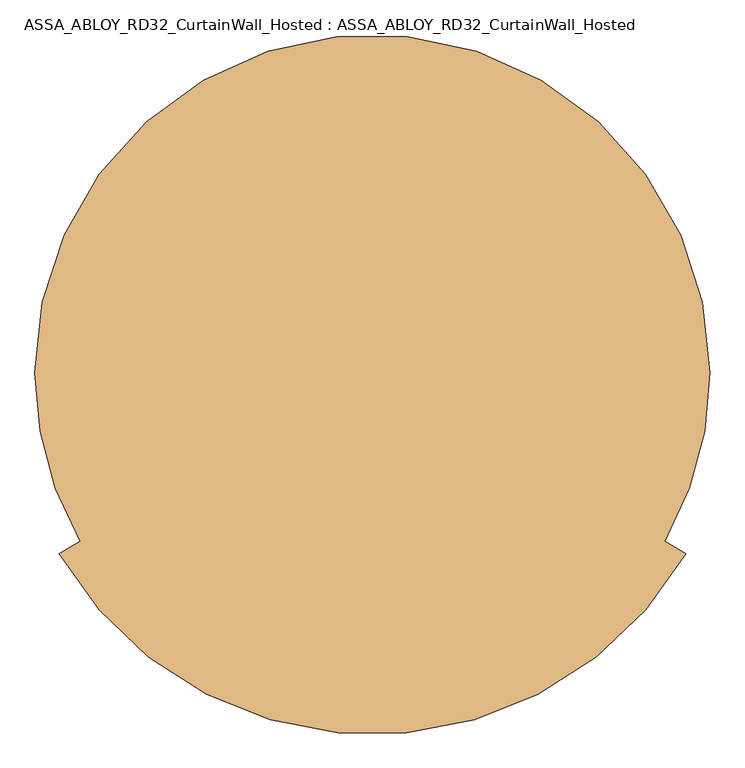
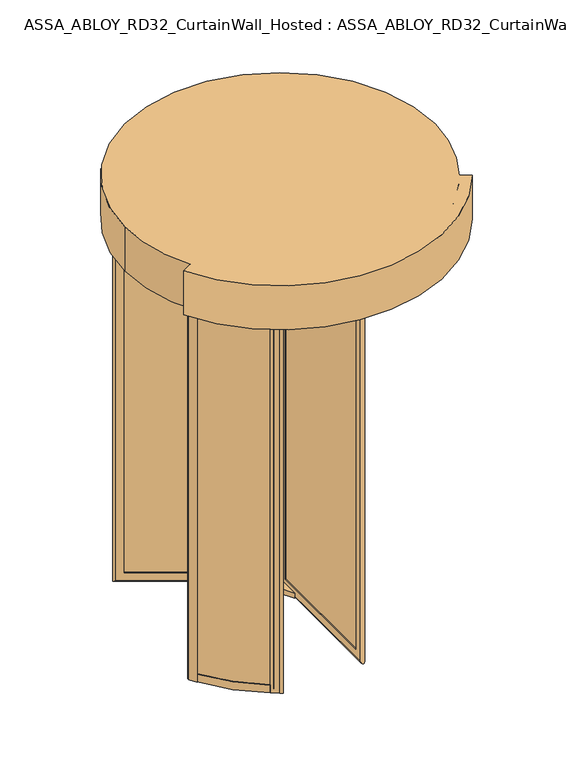
"""IFC4 building model written with IfcOpenShell, lengths in millimetres: door geometry, ASSA_ABLOY_RD32_CurtainWall_Hosted : ASSA_ABLOY_RD32_CurtainWall_Hosted."""

from ifc_helpers import new_model, si_unit, point, frame, frame_2d, origin, origin_with_axes, origin_2d, place, context, project, spatial, polyline, circle_curve, ellipse_curve, trimmed, segment, composite_curve, outline, extrude, source, transform, mapped, element, save
from ifc_brep_helpers import plane_surface, cylinder_surface, revolved_surface, advanced_brep


def assa_abloy_rd32_curtainwall_hosted_assa_abloy_rd32_cac44a7f(model_context):
    return source(origin(), model_context, "Body", "SolidModel", [
        advanced_brep(
        [(1000.0, 0.0, 2800.0), (-1000.0, 0.0, 2800.0), (-866.0254038, -500.0, 2800.0), (-928.3792329, -536.0, 2800.0), (928.3792329, -536.0, 2800.0), (866.0254038, -500.0, 2800.0), (-1000.0, 0.0, 2500.0), (1000.0, 0.0, 2500.0), (866.0254038, -500.0, 2785.0), (-866.0254038, -500.0, 2785.0), (928.3792329, -536.0, 2500.0), (917.986928, -530.0, 2500.0), (917.986928, -530.0, 2785.0), (-917.986928, -530.0, 2785.0), (-917.986928, -530.0, 2500.0), (-928.3792329, -536.0, 2500.0)],
        [
            (0, 1, circle_curve(frame((0.0, 0.0, 2800.0), z_axis=(0.0, 0.0, 1.0), x_axis=(1.0, 0.0, 0.0)), 1000.0)),
            (1, 2, circle_curve(frame((0.0, 0.0, 2800.0), z_axis=(0.0, 0.0, 1.0), x_axis=(1.0, 0.0, 0.0)), 1000.0)),
            (2, 3),
            (3, 4, circle_curve(frame((0.0, 0.0, 2800.0), z_axis=(0.0, 0.0, 1.0), x_axis=(0.8660254037844377, -0.5000000000000016, 0.0)), 1072.0)),
            (4, 5),
            (5, 0, circle_curve(frame((0.0, 0.0, 2800.0), z_axis=(0.0, 0.0, 1.0), x_axis=(1.0, 0.0, 0.0)), 1000.0)),
            (6, 7, circle_curve(frame((0.0, 0.0, 2500.0), z_axis=(0.0, 0.0, -1.0), x_axis=(1.0, 0.0, 0.0)), 1000.0)),
            (7, 6, circle_curve(frame((0.0, 0.0, 2500.0), z_axis=(0.0, 0.0, -1.0), x_axis=(1.0, 0.0, 0.0)), 1000.0)),
            (0, 7),
            (6, 1),
            (5, 8),
            (8, 9, circle_curve(frame((0.0, 0.0, 2785.0), z_axis=(0.0, 0.0, -1.0), x_axis=(1.0, 0.0, 0.0)), 1000.0)),
            (9, 2),
            (4, 10),
            (10, 11),
            (11, 12),
            (12, 8),
            (13, 14),
            (14, 15),
            (15, 3),
            (9, 13),
            (15, 10, circle_curve(frame((0.0, 0.0, 2500.0), z_axis=(0.0, 0.0, 1.0), x_axis=(0.8660254037844377, -0.5000000000000016, 0.0)), 1072.0)),
            (14, 11, circle_curve(frame((0.0, 0.0, 2500.0), z_axis=(0.0, 0.0, 1.0), x_axis=(0.8660254037844377, -0.5000000000000016, 0.0)), 1060.0)),
            (13, 12, circle_curve(frame((0.0, 0.0, 2785.0), z_axis=(0.0, 0.0, 1.0), x_axis=(0.8660254037844377, -0.5000000000000016, 0.0)), 1060.0)),
        ],
        [
            plane_surface(frame((1000.0, 0.0, 2800.0), z_axis=(0.0, 0.0, 1.0), x_axis=(0.0, 1.0, 0.0))),
            plane_surface(frame((1000.0, 0.0, 2500.0), z_axis=(0.0, 0.0, -1.0), x_axis=(0.0, -1.0, 0.0))),
            cylinder_surface(frame((0.0, 0.0, 2500.0), z_axis=(0.0, 0.0, 1.0), x_axis=(1.0, 0.0, 0.0)), 1000.0),
            plane_surface(frame((863.4273276, -498.5, 2800.0), z_axis=(0.5000000000000017, 0.8660254037844378, 0.0), x_axis=(0.0, 0.0, 1.0))),
            plane_surface(frame((-863.4273276, -498.5, 2800.0), z_axis=(-0.5000000000000142, 0.8660254037844305, 0.0), x_axis=(0.0, 0.0, 1.0))),
            cylinder_surface(frame((0.0, 0.0, 2800.0), z_axis=(0.0, 0.0, -1.0), x_axis=(0.8660254037844377, -0.5000000000000016, 0.0)), 1072.0),
            plane_surface(frame((0.0, 0.0, 2500.0), z_axis=(0.0, 0.0, -1.0000000000000002), x_axis=(0.8660254037844378, -0.5000000000000017, 0.0))),
            revolved_surface(polyline([(917.986928011504, -530.0000000000016, 2500.0), (917.986928011504, -530.0000000000016, 2785.0)]), (0.0, 0.0, 2800.0), (0.0, 0.0, -1.0)),
            plane_surface(frame((0.0, 0.0, 2785.0), z_axis=(0.0, 0.0, -1.0000000000000002), x_axis=(0.8660254037844378, -0.5000000000000017, 0.0))),
        ],
        [
            (0, [[1, 2, 3, 4, 5, 6]]),
            (1, [[7, 8]]),
            (2, [[-1, 9, -7, 10]]),
            (2, [[-8, -9, -6, 11, 12, 13, -2, -10]]),
            (3, [[14, 15, 16, 17, -11, -5]]),
            (4, [[18, 19, 20, -3, -13, 21]]),
            (5, [[-14, -4, -20, 22]]),
            (6, [[-15, -22, -19, 23]]),
            (7, [[-16, -23, -18, 24]]),
            (8, [[-24, -21, -12, -17]]),
        ],
    ),
        advanced_brep(
        [(756.0172302, 424.939746, 105.0), (757.5172302, 422.3416698, 105.0), (757.5172302, 422.3416698, 2395.0), (756.0172302, 424.939746, 2395.0), (763.3377382, 452.260254, 85.0), (773.3377382, 434.939746, 85.0), (773.3377382, 434.939746, 2415.0), (763.3377382, 452.260254, 2415.0), (744.5172302, 444.8583302, 105.0), (746.0172302, 442.260254, 105.0), (746.0172302, 442.260254, 2395.0), (744.5172302, 444.8583302, 2395.0), (802.5505512, 448.3416698, 53.0), (789.5505512, 470.8583302, 53.0), (789.5505512, 470.8583302, 2447.0), (802.5505512, 448.3416698, 2447.0), (76.6480577, 29.2416698, 2395.0), (75.1480577, 31.839746, 2395.0), (57.8275496, 21.839746, 2415.0), (47.8275496, 39.160254, 2415.0), (65.1480577, 49.160254, 2395.0), (63.6480577, 51.7583302, 2395.0), (18.6147367, 25.7583302, 2447.0), (31.6147367, 3.2416698, 2447.0), (76.6480577, 29.2416698, 105.0), (75.1480577, 31.839746, 105.0), (57.8275496, 21.839746, 85.0), (47.8275496, 39.160254, 85.0), (65.1480577, 49.160254, 105.0), (63.6480577, 51.7583302, 105.0), (18.6147367, 25.7583302, 53.0), (31.6147367, 3.2416698, 53.0)],
        [
            (0, 1),
            (1, 2),
            (2, 3),
            (3, 0),
            (4, 5),
            (5, 6),
            (6, 7),
            (7, 4),
            (8, 9),
            (9, 10),
            (10, 11),
            (11, 8),
            (12, 13, ellipse_curve(frame((796.0505512, 459.6, 53.0), z_axis=(0.6123724356958007, 0.35355339059326285, 0.7071067811865475), x_axis=(0.6123724356957908, 0.3535533905932797, -0.7071067811865477)), 18.3847763, 13.0)),
            (13, 14),
            (14, 15, ellipse_curve(frame((796.0505512, 459.6, 2447.0), z_axis=(0.612372435695791, 0.3535533905932798, -0.7071067811865475), x_axis=(-0.6123724356958007, -0.3535533905932628, -0.7071067811865476)), 18.3847763, 13.0)),
            (15, 12),
            (2, 16),
            (16, 17),
            (17, 3),
            (6, 18),
            (18, 19),
            (19, 7),
            (10, 20),
            (20, 21),
            (21, 11),
            (14, 22),
            (22, 23, ellipse_curve(frame((25.1147367, 14.5, 2447.0), z_axis=(0.6123724356958007, 0.35355339059326285, 0.7071067811865475), x_axis=(0.6123724356957913, 0.35355339059327995, -0.7071067811865472)), 18.3847763, 13.0)),
            (23, 15),
            (16, 24),
            (24, 25),
            (25, 17),
            (18, 26),
            (26, 27),
            (27, 19),
            (20, 28),
            (28, 29),
            (29, 21),
            (22, 30),
            (30, 31, ellipse_curve(frame((25.1147367, 14.5, 53.0), z_axis=(-0.612372435695791, -0.3535533905932798, 0.7071067811865475), x_axis=(0.6123724356958007, 0.3535533905932628, 0.7071067811865476)), 18.3847763, 13.0)),
            (31, 23),
            (24, 1),
            (0, 25),
            (5, 26),
            (4, 27),
            (9, 28),
            (8, 29),
            (13, 30),
            (12, 31),
        ],
        [
            plane_surface(frame((757.5172302, 422.3416698, 105.0), z_axis=(-0.8660254037844419, -0.49999999999999445, 0.0), x_axis=(0.0, 0.0, 1.0))),
            plane_surface(frame((773.3377382, 434.939746, 85.0), z_axis=(-0.8660254037844408, -0.4999999999999964, 0.0), x_axis=(0.0, 0.0, 1.0))),
            plane_surface(frame((746.0172302, 442.260254, 105.0), z_axis=(-0.8660254037844419, -0.49999999999999445, 0.0), x_axis=(0.0, 0.0, 1.0))),
            cylinder_surface(frame((796.0505512, 459.6, 40.0), z_axis=(0.0, 0.0, -1.0), x_axis=(-0.8660254037844406, -0.4999999999999966, 0.0)), 13.0),
            plane_surface(frame((757.5172302, 422.3416698, 2395.0), z_axis=(0.0, 0.0, -1.0), x_axis=(-0.8660254037844406, -0.4999999999999966, 0.0))),
            plane_surface(frame((773.3377382, 434.939746, 2415.0), z_axis=(0.0, 0.0, -1.0), x_axis=(-0.8660254037844406, -0.4999999999999966, 0.0))),
            plane_surface(frame((746.0172302, 442.260254, 2395.0), z_axis=(0.0, 0.0, -1.0), x_axis=(-0.8660254037844406, -0.4999999999999966, 0.0))),
            cylinder_surface(frame((807.3088814, 466.1, 2447.0), z_axis=(0.8660254037844406, 0.4999999999999966, 0.0), x_axis=(0.0, 0.0, -1.0)), 13.0),
            plane_surface(frame((76.6480577, 29.2416698, 2395.0), z_axis=(0.8660254037844394, 0.49999999999999883, 0.0), x_axis=(0.0, 0.0, -1.0))),
            plane_surface(frame((57.8275496, 21.839746, 2415.0), z_axis=(0.8660254037844405, 0.4999999999999969, 0.0), x_axis=(0.0, 0.0, -1.0))),
            plane_surface(frame((65.1480577, 49.160254, 2395.0), z_axis=(0.8660254037844394, 0.49999999999999883, 0.0), x_axis=(0.0, 0.0, -1.0))),
            cylinder_surface(frame((25.1147367, 14.5, 2460.0), z_axis=(0.0, 0.0, 1.0), x_axis=(0.8660254037844406, 0.4999999999999966, 0.0)), 13.0),
            plane_surface(frame((76.6480577, 29.2416698, 105.0), z_axis=(0.0, 0.0, 1.0), x_axis=(0.8660254037844406, 0.4999999999999966, 0.0))),
            plane_surface(frame((75.1480577, 31.839746, 105.0), z_axis=(-0.4999999999999966, 0.8660254037844406, 0.0), x_axis=(0.8660254037844406, 0.4999999999999966, 0.0))),
            plane_surface(frame((57.8275496, 21.839746, 85.0), z_axis=(0.0, 0.0, 1.0), x_axis=(0.8660254037844406, 0.4999999999999966, 0.0))),
            plane_surface(frame((47.8275496, 39.160254, 85.0), z_axis=(0.4999999999999966, -0.8660254037844406, 0.0), x_axis=(0.8660254037844406, 0.4999999999999966, 0.0))),
            plane_surface(frame((65.1480577, 49.160254, 105.0), z_axis=(0.0, 0.0, 1.0), x_axis=(0.8660254037844406, 0.4999999999999966, 0.0))),
            plane_surface(frame((63.6480577, 51.7583302, 105.0), z_axis=(-0.4999999999999966, 0.8660254037844406, 0.0), x_axis=(0.8660254037844406, 0.4999999999999966, 0.0))),
            cylinder_surface(frame((13.8564065, 8.0, 53.0), z_axis=(-0.8660254037844406, -0.4999999999999966, 0.0), x_axis=(0.0, 0.0, 1.0)), 13.0),
            plane_surface(frame((31.6147367, 3.2416698, 53.0), z_axis=(0.4999999999999966, -0.8660254037844406, 0.0), x_axis=(0.8660254037844406, 0.4999999999999966, 0.0))),
        ],
        [
            (0, [[1, 2, 3, 4]]),
            (1, [[5, 6, 7, 8]]),
            (2, [[9, 10, 11, 12]]),
            (3, [[13, 14, 15, 16]]),
            (4, [[-3, 17, 18, 19]]),
            (5, [[-7, 20, 21, 22]]),
            (6, [[-11, 23, 24, 25]]),
            (7, [[-15, 26, 27, 28]]),
            (8, [[-18, 29, 30, 31]]),
            (9, [[-21, 32, 33, 34]]),
            (10, [[-24, 35, 36, 37]]),
            (11, [[-27, 38, 39, 40]]),
            (12, [[-30, 41, -1, 42]]),
            (13, [[43, -32, -20, -6], [-19, -31, -42, -4]]),
            (14, [[-33, -43, -5, 44]]),
            (15, [[-22, -34, -44, -8], [45, -35, -23, -10]]),
            (16, [[-36, -45, -9, 46]]),
            (17, [[47, -38, -26, -14], [-25, -37, -46, -12]]),
            (18, [[-39, -47, -13, 48]]),
            (19, [[-28, -40, -48, -16], [-41, -29, -17, -2]]),
        ],
    ),
        extrude(outline(polyline([(765.8377382, 447.930127), (770.8377382, 439.269873), (55.3275496, 26.169873), (50.3275496, 34.830127), (765.8377382, 447.930127)])), frame((0.0, 0.0, 85.0), z_axis=(0.0, 0.0, 1.0), x_axis=(1.0, 0.0, 0.0)), (0.0, 0.0, 1.0), 2330.0),
        advanced_brep(
        [(-746.0172302, 442.260254, 105.0), (-744.5172302, 444.8583302, 105.0), (-744.5172302, 444.8583302, 2395.0), (-746.0172302, 442.260254, 2395.0), (-773.3377382, 434.939746, 85.0), (-763.3377382, 452.260254, 85.0), (-763.3377382, 452.260254, 2415.0), (-773.3377382, 434.939746, 2415.0), (-757.5172302, 422.3416698, 105.0), (-756.0172302, 424.939746, 105.0), (-756.0172302, 424.939746, 2395.0), (-757.5172302, 422.3416698, 2395.0), (-789.5505512, 470.8583302, 53.0), (-802.5505512, 448.3416698, 53.0), (-802.5505512, 448.3416698, 2447.0), (-789.5505512, 470.8583302, 2447.0), (-63.6480577, 51.7583302, 2395.0), (-65.1480577, 49.160254, 2395.0), (-47.8275496, 39.160254, 2415.0), (-57.8275496, 21.839746, 2415.0), (-75.1480577, 31.839746, 2395.0), (-76.6480577, 29.2416698, 2395.0), (-31.6147367, 3.2416698, 2447.0), (-18.6147367, 25.7583302, 2447.0), (-63.6480577, 51.7583302, 105.0), (-65.1480577, 49.160254, 105.0), (-47.8275496, 39.160254, 85.0), (-57.8275496, 21.839746, 85.0), (-75.1480577, 31.839746, 105.0), (-76.6480577, 29.2416698, 105.0), (-31.6147367, 3.2416698, 53.0), (-18.6147367, 25.7583302, 53.0)],
        [
            (0, 1),
            (1, 2),
            (2, 3),
            (3, 0),
            (4, 5),
            (5, 6),
            (6, 7),
            (7, 4),
            (8, 9),
            (9, 10),
            (10, 11),
            (11, 8),
            (12, 13, ellipse_curve(frame((-796.0505512, 459.6, 53.0), z_axis=(-0.612372435695792, 0.35355339059327806, 0.7071067811865475), x_axis=(-0.6123724356958017, 0.3535533905932611, -0.7071067811865476)), 18.3847763, 13.0)),
            (13, 14),
            (14, 15, ellipse_curve(frame((-796.0505512, 459.6, 2447.0), z_axis=(-0.6123724356958017, 0.35355339059326113, -0.7071067811865475), x_axis=(0.6123724356957919, -0.353553390593278, -0.7071067811865477)), 18.3847763, 13.0)),
            (15, 12),
            (2, 16),
            (16, 17),
            (17, 3),
            (6, 18),
            (18, 19),
            (19, 7),
            (10, 20),
            (20, 21),
            (21, 11),
            (14, 22),
            (22, 23, ellipse_curve(frame((-25.1147367, 14.5, 2447.0), z_axis=(-0.612372435695792, 0.35355339059327806, 0.7071067811865475), x_axis=(-0.6123724356958017, 0.3535533905932612, -0.7071067811865475)), 18.3847763, 13.0)),
            (23, 15),
            (16, 24),
            (24, 25),
            (25, 17),
            (18, 26),
            (26, 27),
            (27, 19),
            (20, 28),
            (28, 29),
            (29, 21),
            (22, 30),
            (30, 31, ellipse_curve(frame((-25.1147367, 14.5, 53.0), z_axis=(0.6123724356958017, -0.35355339059326113, 0.7071067811865475), x_axis=(-0.6123724356957919, 0.353553390593278, 0.7071067811865477)), 18.3847763, 13.0)),
            (31, 23),
            (24, 1),
            (0, 25),
            (5, 26),
            (4, 27),
            (9, 28),
            (8, 29),
            (13, 30),
            (12, 31),
        ],
        [
            plane_surface(frame((-744.5172302, 444.8583302, 105.0), z_axis=(0.8660254037844408, -0.4999999999999964, 0.0), x_axis=(0.0, 0.0, 1.0))),
            plane_surface(frame((-763.3377382, 452.260254, 85.0), z_axis=(0.8660254037844419, -0.49999999999999445, 0.0), x_axis=(0.0, 0.0, 1.0))),
            plane_surface(frame((-756.0172302, 424.939746, 105.0), z_axis=(0.8660254037844408, -0.4999999999999964, 0.0), x_axis=(0.0, 0.0, 1.0))),
            cylinder_surface(frame((-796.0505512, 459.6, 40.0), z_axis=(0.0, 0.0, -1.0), x_axis=(0.8660254037844415, -0.49999999999999384, 0.0)), 13.0),
            plane_surface(frame((-744.5172302, 444.8583302, 2395.0), z_axis=(0.0, 0.0, -1.0), x_axis=(0.866025403784442, -0.49999999999999417, 0.0))),
            plane_surface(frame((-763.3377382, 452.260254, 2415.0), z_axis=(0.0, 0.0, -1.0), x_axis=(0.866025403784442, -0.49999999999999417, 0.0))),
            plane_surface(frame((-756.0172302, 424.939746, 2395.0), z_axis=(0.0, 0.0, -1.0), x_axis=(0.866025403784442, -0.49999999999999417, 0.0))),
            cylinder_surface(frame((-807.3088814, 466.1, 2447.0), z_axis=(-0.8660254037844415, 0.49999999999999384, 0.0), x_axis=(0.0, 0.0, -1.0)), 13.0),
            plane_surface(frame((-63.6480577, 51.7583302, 2395.0), z_axis=(-0.8660254037844433, 0.49999999999999195, 0.0), x_axis=(0.0, 0.0, -1.0))),
            plane_surface(frame((-47.8275496, 39.160254, 2415.0), z_axis=(-0.8660254037844421, 0.4999999999999939, 0.0), x_axis=(0.0, 0.0, -1.0))),
            plane_surface(frame((-75.1480577, 31.839746, 2395.0), z_axis=(-0.8660254037844433, 0.49999999999999195, 0.0), x_axis=(0.0, 0.0, -1.0))),
            cylinder_surface(frame((-25.1147367, 14.5, 2460.0), z_axis=(0.0, 0.0, 1.0), x_axis=(-0.8660254037844415, 0.49999999999999384, 0.0)), 13.0),
            plane_surface(frame((-63.6480577, 51.7583302, 105.0), z_axis=(0.0, 0.0, 1.0), x_axis=(-0.866025403784442, 0.49999999999999417, 0.0))),
            plane_surface(frame((-65.1480577, 49.160254, 105.0), z_axis=(-0.49999999999999417, -0.866025403784442, 0.0), x_axis=(-0.866025403784442, 0.49999999999999417, 0.0))),
            plane_surface(frame((-47.8275496, 39.160254, 85.0), z_axis=(0.0, 0.0, 1.0), x_axis=(-0.866025403784442, 0.49999999999999417, 0.0))),
            plane_surface(frame((-57.8275496, 21.839746, 85.0), z_axis=(0.49999999999999417, 0.866025403784442, 0.0), x_axis=(-0.866025403784442, 0.49999999999999417, 0.0))),
            plane_surface(frame((-75.1480577, 31.839746, 105.0), z_axis=(0.0, 0.0, 1.0), x_axis=(-0.866025403784442, 0.49999999999999417, 0.0))),
            plane_surface(frame((-76.6480577, 29.2416698, 105.0), z_axis=(-0.49999999999999417, -0.866025403784442, 0.0), x_axis=(-0.866025403784442, 0.49999999999999417, 0.0))),
            cylinder_surface(frame((-13.8564065, 8.0, 53.0), z_axis=(0.8660254037844415, -0.49999999999999384, 0.0), x_axis=(0.0, 0.0, 1.0)), 13.0),
            plane_surface(frame((-18.6147367, 25.7583302, 53.0), z_axis=(0.49999999999999417, 0.866025403784442, 0.0), x_axis=(-0.866025403784442, 0.49999999999999417, 0.0))),
        ],
        [
            (0, [[1, 2, 3, 4]]),
            (1, [[5, 6, 7, 8]]),
            (2, [[9, 10, 11, 12]]),
            (3, [[13, 14, 15, 16]]),
            (4, [[-3, 17, 18, 19]]),
            (5, [[-7, 20, 21, 22]]),
            (6, [[-11, 23, 24, 25]]),
            (7, [[-15, 26, 27, 28]]),
            (8, [[-18, 29, 30, 31]]),
            (9, [[-21, 32, 33, 34]]),
            (10, [[-24, 35, 36, 37]]),
            (11, [[-27, 38, 39, 40]]),
            (12, [[-30, 41, -1, 42]]),
            (13, [[43, -32, -20, -6], [-19, -31, -42, -4]]),
            (14, [[-33, -43, -5, 44]]),
            (15, [[-22, -34, -44, -8], [45, -35, -23, -10]]),
            (16, [[-36, -45, -9, 46]]),
            (17, [[47, -38, -26, -14], [-25, -37, -46, -12]]),
            (18, [[-39, -47, -13, 48]]),
            (19, [[-28, -40, -48, -16], [-41, -29, -17, -2]]),
        ],
    ),
        extrude(outline(polyline([(-770.8377382, 439.269873), (-765.8377382, 447.930127), (-50.3275496, 34.830127), (-55.3275496, 26.169873), (-770.8377382, 439.269873)])), frame((0.0, 0.0, 85.0), z_axis=(0.0, 0.0, 1.0), x_axis=(1.0, 0.0, 0.0)), (0.0, 0.0, 1.0), 2330.0),
        advanced_brep(
        [(-10.0, -867.2, 105.0), (-13.0, -867.2, 105.0), (-13.0, -867.2, 2395.0), (-10.0, -867.2, 2395.0), (10.0, -887.2, 85.0), (-10.0, -887.2, 85.0), (-10.0, -887.2, 2415.0), (10.0, -887.2, 2415.0), (13.0, -867.2, 105.0), (10.0, -867.2, 105.0), (10.0, -867.2, 2395.0), (13.0, -867.2, 2395.0), (-13.0, -919.2, 53.0), (13.0, -919.2, 53.0), (13.0, -919.2, 2447.0), (-13.0, -919.2, 2447.0), (-13.0, -81.0, 2395.0), (-10.0, -81.0, 2395.0), (-10.0, -61.0, 2415.0), (10.0, -61.0, 2415.0), (10.0, -81.0, 2395.0), (13.0, -81.0, 2395.0), (13.0, -29.0, 2447.0), (-13.0, -29.0, 2447.0), (-13.0, -81.0, 105.0), (-10.0, -81.0, 105.0), (-10.0, -61.0, 85.0), (10.0, -61.0, 85.0), (10.0, -81.0, 105.0), (13.0, -81.0, 105.0), (13.0, -29.0, 53.0), (-13.0, -29.0, 53.0)],
        [
            (0, 1),
            (1, 2),
            (2, 3),
            (3, 0),
            (4, 5),
            (5, 6),
            (6, 7),
            (7, 4),
            (8, 9),
            (9, 10),
            (10, 11),
            (11, 8),
            (12, 13, ellipse_curve(frame((0.0, -919.2, 53.0), z_axis=(0.0, -0.7071067811865475, 0.7071067811865475), x_axis=(0.0, -0.7071067811865474, -0.7071067811865476)), 18.3847763, 13.0)),
            (13, 14),
            (14, 15, ellipse_curve(frame((0.0, -919.2, 2447.0), z_axis=(0.0, -0.7071067811865475, -0.7071067811865475), x_axis=(0.0, 0.7071067811865474, -0.7071067811865476)), 18.3847763, 13.0)),
            (15, 12),
            (2, 16),
            (16, 17),
            (17, 3),
            (6, 18),
            (18, 19),
            (19, 7),
            (10, 20),
            (20, 21),
            (21, 11),
            (14, 22),
            (22, 23, ellipse_curve(frame((0.0, -29.0, 2447.0), z_axis=(0.0, -0.7071067811865475, 0.7071067811865475), x_axis=(0.0, -0.7071067811865476, -0.7071067811865474)), 18.3847763, 13.0)),
            (23, 15),
            (16, 24),
            (24, 25),
            (25, 17),
            (18, 26),
            (26, 27),
            (27, 19),
            (20, 28),
            (28, 29),
            (29, 21),
            (22, 30),
            (30, 31, ellipse_curve(frame((0.0, -29.0, 53.0), z_axis=(0.0, 0.7071067811865475, 0.7071067811865475), x_axis=(0.0, -0.7071067811865474, 0.7071067811865476)), 18.3847763, 13.0)),
            (31, 23),
            (24, 1),
            (0, 25),
            (5, 26),
            (4, 27),
            (9, 28),
            (8, 29),
            (13, 30),
            (12, 31),
        ],
        [
            plane_surface(frame((-13.0, -867.2, 105.0), z_axis=(0.0, 1.0, 0.0), x_axis=(0.0, 0.0, 1.0))),
            plane_surface(frame((-10.0, -887.2, 85.0), z_axis=(0.0, 1.0, 0.0), x_axis=(0.0, 0.0, 1.0))),
            plane_surface(frame((10.0, -867.2, 105.0), z_axis=(0.0, 1.0, 0.0), x_axis=(0.0, 0.0, 1.0))),
            cylinder_surface(frame((0.0, -919.2, 40.0), z_axis=(0.0, 0.0, -1.0), x_axis=(0.0, 1.0000000000000009, 0.0)), 13.0),
            plane_surface(frame((-13.0, -867.2, 2395.0), z_axis=(0.0, 0.0, -1.0), x_axis=(0.0, 1.0, 0.0))),
            plane_surface(frame((-10.0, -887.2, 2415.0), z_axis=(0.0, 0.0, -1.0), x_axis=(0.0, 1.0, 0.0))),
            plane_surface(frame((10.0, -867.2, 2395.0), z_axis=(0.0, 0.0, -1.0), x_axis=(0.0, 1.0, 0.0))),
            cylinder_surface(frame((0.0, -932.2, 2447.0), z_axis=(0.0, -1.0000000000000009, 0.0), x_axis=(0.0, 0.0, -1.0)), 13.0),
            plane_surface(frame((-13.0, -81.0, 2395.0), z_axis=(0.0, -1.0, 0.0), x_axis=(0.0, 0.0, -1.0))),
            plane_surface(frame((-10.0, -61.0, 2415.0), z_axis=(0.0, -1.0, 0.0), x_axis=(0.0, 0.0, -1.0))),
            plane_surface(frame((10.0, -81.0, 2395.0), z_axis=(0.0, -1.0, 0.0), x_axis=(0.0, 0.0, -1.0))),
            cylinder_surface(frame((0.0, -29.0, 2460.0), z_axis=(0.0, 0.0, 1.0), x_axis=(0.0, -1.0000000000000009, 0.0)), 13.0),
            plane_surface(frame((-13.0, -81.0, 105.0), z_axis=(0.0, 0.0, 1.0), x_axis=(0.0, -1.0, 0.0))),
            plane_surface(frame((-10.0, -81.0, 105.0), z_axis=(1.0, 0.0, 0.0), x_axis=(0.0, -1.0, 0.0))),
            plane_surface(frame((-10.0, -61.0, 85.0), z_axis=(0.0, 0.0, 1.0), x_axis=(0.0, -1.0, 0.0))),
            plane_surface(frame((10.0, -61.0, 85.0), z_axis=(-1.0, 0.0, 0.0), x_axis=(0.0, -1.0, 0.0))),
            plane_surface(frame((10.0, -81.0, 105.0), z_axis=(0.0, 0.0, 1.0), x_axis=(0.0, -1.0, 0.0))),
            plane_surface(frame((13.0, -81.0, 105.0), z_axis=(1.0, 0.0, 0.0), x_axis=(0.0, -1.0, 0.0))),
            cylinder_surface(frame((0.0, -16.0, 53.0), z_axis=(0.0, 1.0000000000000009, 0.0), x_axis=(0.0, 0.0, 1.0)), 13.0),
            plane_surface(frame((-13.0, -29.0, 53.0), z_axis=(-1.0, 0.0, 0.0), x_axis=(0.0, -1.0, 0.0))),
        ],
        [
            (0, [[1, 2, 3, 4]]),
            (1, [[5, 6, 7, 8]]),
            (2, [[9, 10, 11, 12]]),
            (3, [[13, 14, 15, 16]]),
            (4, [[-3, 17, 18, 19]]),
            (5, [[-7, 20, 21, 22]]),
            (6, [[-11, 23, 24, 25]]),
            (7, [[-15, 26, 27, 28]]),
            (8, [[-18, 29, 30, 31]]),
            (9, [[-21, 32, 33, 34]]),
            (10, [[-24, 35, 36, 37]]),
            (11, [[-27, 38, 39, 40]]),
            (12, [[-30, 41, -1, 42]]),
            (13, [[43, -32, -20, -6], [-19, -31, -42, -4]]),
            (14, [[-33, -43, -5, 44]]),
            (15, [[-22, -34, -44, -8], [45, -35, -23, -10]]),
            (16, [[-36, -45, -9, 46]]),
            (17, [[47, -38, -26, -14], [-25, -37, -46, -12]]),
            (18, [[-39, -47, -13, 48]]),
            (19, [[-28, -40, -48, -16], [-41, -29, -17, -2]]),
        ],
    ),
        extrude(outline(polyline([(5.0, -887.2), (-5.0, -887.2), (-5.0, -61.0), (5.0, -61.0), (5.0, -887.2)])), frame((0.0, 0.0, 85.0), z_axis=(0.0, 0.0, 1.0), x_axis=(1.0, 0.0, 0.0)), (0.0, 0.0, 1.0), 2330.0),
        extrude(outline(polyline([(-13.0, -191.5593903), (-172.3952983, 84.5213649), (-13.0, -7.5055535), (-13.0, -191.5593903)])), frame((0.0, 0.0, 2460.0), z_axis=(0.0, 0.0, 1.0), x_axis=(1.0, 0.0, 0.0)), (0.0, 0.0, 1.0), 31.5),
        extrude(outline(polyline([(-159.3952983, 107.0380254), (159.3952983, 107.0380254), (0.0, 15.011107), (-159.3952983, 107.0380254)])), frame((0.0, 0.0, 2460.0), z_axis=(0.0, 0.0, 1.0), x_axis=(1.0, 0.0, 0.0)), (0.0, 0.0, 1.0), 31.5),
        extrude(outline(polyline([(172.3952983, 84.5213649), (13.0, -191.5593903), (13.0, -7.5055535), (172.3952983, 84.5213649)])), frame((0.0, 0.0, 2460.0), z_axis=(0.0, 0.0, 1.0), x_axis=(1.0, 0.0, 0.0)), (0.0, 0.0, 1.0), 31.5),
        extrude(outline(polyline([(172.3952983, 84.5213649), (13.0, -191.5593903), (13.0, -7.5055535), (172.3952983, 84.5213649)])), frame((0.0, 0.0, 40.0), z_axis=(0.0, 0.0, 1.0), x_axis=(1.0, 0.0, 0.0)), (0.0, 0.0, 1.0), 34.93),
        extrude(outline(polyline([(-13.0, -191.5593903), (-172.3952983, 84.5213649), (-13.0, -7.5055535), (-13.0, -191.5593903)])), frame((0.0, 0.0, 40.0), z_axis=(0.0, 0.0, 1.0), x_axis=(1.0, 0.0, 0.0)), (0.0, 0.0, 1.0), 34.93),
        extrude(outline(polyline([(-159.3952983, 107.0380254), (159.3952983, 107.0380254), (0.0, 15.011107), (-159.3952983, 107.0380254)])), frame((0.0, 0.0, 40.0), z_axis=(0.0, 0.0, 1.0), x_axis=(1.0, 0.0, 0.0)), (0.0, 0.0, 1.0), 34.93),
        extrude(outline(composite_curve([segment(trimmed(circle_curve(origin_2d(), 12.5), [point((12.5, 0.0))], [point((-12.5, 0.0))], False, "CARTESIAN"), True, "CONTINUOUS"), segment(trimmed(circle_curve(origin_2d(), 12.5), [point((-12.5, 0.0))], [point((12.5, 0.0))], False, "CARTESIAN"), True, "CONTINUOUS")], self_intersect=False)), origin_with_axes(), (0.0, 0.0, 1.0), 2500.0),
        extrude(outline(composite_curve([segment(trimmed(circle_curve(origin_2d(), 1030.5), [point((-865.9480504, -558.6270885))], [point((-543.4291296, -875.5655493))], True, "CARTESIAN"), True, "CONTINUOUS"), segment(polyline([(-543.4291296, -875.5655493), (-548.7025806, -884.0620612)]), True, "CONTINUOUS"), segment(trimmed(circle_curve(origin_2d(), 1040.5), [point((-548.7025806, -884.0620612))], [point((-874.3512338, -564.0480209))], False, "CARTESIAN"), True, "CONTINUOUS"), segment(polyline([(-874.3512338, -564.0480209), (-865.9480504, -558.6270885)]), True, "CONTINUOUS")], self_intersect=False)), frame((0.0, 0.0, 33.0), z_axis=(0.0, 0.0, 1.0), x_axis=(1.0, 0.0, 0.0)), (0.0, 0.0, 1.0), 2467.0),
        advanced_brep(
        [(-555.3575895, -858.5360783, 2556.0), (-569.4791517, -880.3668246, 2556.0), (-569.4791517, -880.3668246, 2503.0), (-567.8497407, -877.8478923, 2503.0), (-567.8497407, -877.8478923, 2523.0), (-556.9870005, -861.0550106, 2523.0), (-556.9870005, -861.0550106, 2503.0), (-555.3575895, -858.5360783, 2503.0), (-848.7129927, -570.2565264, 2556.0), (-848.7129927, -570.2565264, 2503.0), (-851.2031042, -571.9296507, 2503.0), (-851.2031042, -571.9296507, 2523.0), (-867.8038474, -583.0838126, 2523.0), (-867.8038474, -583.0838126, 2503.0), (-870.2939588, -584.7569369, 2503.0), (-870.2939588, -584.7569369, 2556.0)],
        [
            (0, 1),
            (1, 2),
            (2, 3),
            (3, 4),
            (4, 5),
            (5, 6),
            (6, 7),
            (7, 0),
            (8, 9),
            (9, 10),
            (10, 11),
            (11, 12),
            (12, 13),
            (13, 14),
            (14, 15),
            (15, 8),
            (15, 1, circle_curve(frame((0.0, 0.0, 2556.0), z_axis=(0.0, 0.0, 1.0), x_axis=(-0.543137006851107, -0.8396440863775679, 0.0)), 1048.5)),
            (0, 8, circle_curve(frame((0.0, 0.0, 2556.0), z_axis=(0.0, 0.0, -1.0), x_axis=(-0.543137006851107, -0.8396440863775679, 0.0)), 1022.5)),
            (14, 2, circle_curve(frame((0.0, 0.0, 2503.0), z_axis=(0.0, 0.0, 1.0), x_axis=(-0.543137006851107, -0.8396440863775679, 0.0)), 1048.5)),
            (13, 3, circle_curve(frame((0.0, 0.0, 2503.0), z_axis=(0.0, 0.0, 1.0), x_axis=(-0.543137006851107, -0.8396440863775679, 0.0)), 1045.5)),
            (12, 4, circle_curve(frame((0.0, 0.0, 2523.0), z_axis=(0.0, 0.0, 1.0), x_axis=(-0.543137006851107, -0.8396440863775679, 0.0)), 1045.5)),
            (11, 5, circle_curve(frame((0.0, 0.0, 2523.0), z_axis=(0.0, 0.0, 1.0), x_axis=(-0.543137006851107, -0.8396440863775679, 0.0)), 1025.5)),
            (10, 6, circle_curve(frame((0.0, 0.0, 2503.0), z_axis=(0.0, 0.0, 1.0), x_axis=(-0.543137006851107, -0.8396440863775679, 0.0)), 1025.5)),
            (9, 7, circle_curve(frame((0.0, 0.0, 2503.0), z_axis=(0.0, 0.0, 1.0), x_axis=(-0.543137006851107, -0.8396440863775679, 0.0)), 1022.5)),
        ],
        [
            plane_surface(frame((-569.4791517, -880.3668246, 2556.0), z_axis=(0.8396440863775679, -0.543137006851107, 0.0), x_axis=(0.0, 0.0, 1.0))),
            plane_surface(frame((-870.2939588, -584.7569369, 2556.0), z_axis=(-0.55770809431236, 0.8300371567215987, 0.0), x_axis=(0.0, 0.0, 1.0))),
            plane_surface(frame((0.0, 0.0, 2556.0), z_axis=(0.0, 0.0, 1.0000000000000002), x_axis=(-0.543137006851107, -0.8396440863775679, 0.0))),
            cylinder_surface(frame((0.0, 0.0, 2556.0), z_axis=(0.0, 0.0, -1.0), x_axis=(-0.543137006851107, -0.8396440863775679, 0.0)), 1048.5),
            plane_surface(frame((0.0, 0.0, 2503.0), z_axis=(0.0, 0.0, -1.0000000000000002), x_axis=(-0.543137006851107, -0.8396440863775679, 0.0))),
            revolved_surface(polyline([(-567.8497406628323, -877.8478923077473, 2503.0), (-567.8497406628323, -877.8478923077473, 2523.0)]), (0.0, 0.0, 2556.0), (0.0, 0.0, -1.0)),
            plane_surface(frame((0.0, 0.0, 2523.0), z_axis=(0.0, 0.0, -1.0000000000000002), x_axis=(-0.543137006851107, -0.8396440863775679, 0.0))),
            cylinder_surface(frame((0.0, 0.0, 2556.0), z_axis=(0.0, 0.0, -1.0), x_axis=(-0.543137006851107, -0.8396440863775679, 0.0)), 1025.5),
            revolved_surface(polyline([(-555.3575895052569, -858.5360783210632, 2503.0), (-555.3575895052569, -858.5360783210632, 2556.0)]), (0.0, 0.0, 2556.0), (0.0, 0.0, -1.0)),
        ],
        [
            (0, [[1, 2, 3, 4, 5, 6, 7, 8]]),
            (1, [[9, 10, 11, 12, 13, 14, 15, 16]]),
            (2, [[17, -1, 18, -16]]),
            (3, [[19, -2, -17, -15]]),
            (4, [[20, -3, -19, -14]]),
            (5, [[21, -4, -20, -13]]),
            (6, [[22, -5, -21, -12]]),
            (7, [[23, -6, -22, -11]]),
            (4, [[24, -7, -23, -10]]),
            (8, [[-18, -8, -24, -9]]),
        ],
    ),
        advanced_brep(
        [(-555.3575895, -858.5360783, 10.0), (-555.3575895, -858.5360783, 63.0), (-556.9870005, -861.0550106, 63.0), (-556.9870005, -861.0550106, 43.0), (-567.8497407, -877.8478923, 43.0), (-567.8497407, -877.8478923, 63.0), (-569.4791517, -880.3668246, 63.0), (-569.4791517, -880.3668246, 10.0), (-848.7129927, -570.2565264, 10.0), (-870.2939588, -584.7569369, 10.0), (-870.2939588, -584.7569369, 63.0), (-867.8038474, -583.0838126, 63.0), (-867.8038474, -583.0838126, 43.0), (-851.2031042, -571.9296507, 43.0), (-851.2031042, -571.9296507, 63.0), (-848.7129927, -570.2565264, 63.0)],
        [
            (0, 1),
            (1, 2),
            (2, 3),
            (3, 4),
            (4, 5),
            (5, 6),
            (6, 7),
            (7, 0),
            (8, 9),
            (9, 10),
            (10, 11),
            (11, 12),
            (12, 13),
            (13, 14),
            (14, 15),
            (15, 8),
            (15, 1, circle_curve(frame((0.0, 0.0, 63.0), z_axis=(0.0, 0.0, 1.0), x_axis=(-0.5431370068511069, -0.8396440863775679, 0.0)), 1022.5)),
            (0, 8, circle_curve(frame((0.0, 0.0, 10.0), z_axis=(0.0, 0.0, -1.0), x_axis=(-0.5431370068511069, -0.8396440863775679, 0.0)), 1022.5)),
            (14, 2, circle_curve(frame((0.0, 0.0, 63.0), z_axis=(0.0, 0.0, 1.0), x_axis=(-0.5431370068511069, -0.8396440863775679, 0.0)), 1025.5)),
            (13, 3, circle_curve(frame((0.0, 0.0, 43.0), z_axis=(0.0, 0.0, 1.0), x_axis=(-0.5431370068511069, -0.8396440863775679, 0.0)), 1025.5)),
            (12, 4, circle_curve(frame((0.0, 0.0, 43.0), z_axis=(0.0, 0.0, 1.0), x_axis=(-0.5431370068511069, -0.8396440863775679, 0.0)), 1045.5)),
            (11, 5, circle_curve(frame((0.0, 0.0, 63.0), z_axis=(0.0, 0.0, 1.0), x_axis=(-0.5431370068511069, -0.8396440863775679, 0.0)), 1045.5)),
            (10, 6, circle_curve(frame((0.0, 0.0, 63.0), z_axis=(0.0, 0.0, 1.0), x_axis=(-0.5431370068511069, -0.8396440863775679, 0.0)), 1048.5)),
            (9, 7, circle_curve(frame((0.0, 0.0, 10.0), z_axis=(0.0, 0.0, 1.0), x_axis=(-0.5431370068511069, -0.8396440863775679, 0.0)), 1048.5)),
        ],
        [
            plane_surface(frame((-569.4791517, -880.3668246, 0.0), z_axis=(0.8396440863775679, -0.5431370068511068, 0.0), x_axis=(0.0, 0.0, 1.0))),
            plane_surface(frame((-870.2939588, -584.7569369, 0.0), z_axis=(-0.5577080943123598, 0.830037156721599, 0.0), x_axis=(0.0, 0.0, 1.0))),
            revolved_surface(polyline([(-555.3575895052568, -858.5360783210632, 10.0), (-555.3575895052568, -858.5360783210632, 63.0)]), (0.0, 0.0, 0.0), (0.0, 0.0, -1.0)),
            plane_surface(frame((0.0, 0.0, 63.0), z_axis=(0.0, 0.0, 1.0), x_axis=(-0.5431370068511069, -0.8396440863775679, 0.0))),
            cylinder_surface(frame((0.0, 0.0, 0.0), z_axis=(0.0, 0.0, -1.0), x_axis=(-0.5431370068511069, -0.8396440863775679, 0.0)), 1025.5),
            plane_surface(frame((0.0, 0.0, 43.0), z_axis=(0.0, 0.0, 1.0), x_axis=(-0.5431370068511069, -0.8396440863775679, 0.0))),
            revolved_surface(polyline([(-567.8497406628322, -877.8478923077473, 43.0), (-567.8497406628322, -877.8478923077473, 63.0)]), (0.0, 0.0, 0.0), (0.0, 0.0, -1.0)),
            cylinder_surface(frame((0.0, 0.0, 0.0), z_axis=(0.0, 0.0, -1.0), x_axis=(-0.5431370068511069, -0.8396440863775679, 0.0)), 1048.5),
            plane_surface(frame((0.0, 0.0, 10.0), z_axis=(0.0, 0.0, -1.0), x_axis=(-0.5431370068511069, -0.8396440863775679, 0.0))),
        ],
        [
            (0, [[1, 2, 3, 4, 5, 6, 7, 8]]),
            (1, [[9, 10, 11, 12, 13, 14, 15, 16]]),
            (2, [[17, -1, 18, -16]]),
            (3, [[19, -2, -17, -15]]),
            (4, [[20, -3, -19, -14]]),
            (5, [[21, -4, -20, -13]]),
            (6, [[22, -5, -21, -12]]),
            (3, [[23, -6, -22, -11]]),
            (7, [[24, -7, -23, -10]]),
            (8, [[-18, -8, -24, -9]]),
        ],
    ),
        extrude(outline(composite_curve([segment(polyline([(-871.4428968, -585.4472885), (-898.2248767, -540.8745888)]), True, "CONTINUOUS"), segment(trimmed(circle_curve(frame_2d((-887.0817018, -534.1790939)), 13.0), [point((-898.2248767, -540.8745888))], [point((-875.9385269, -527.4835989))], False, "CARTESIAN"), True, "CONTINUOUS"), segment(polyline([(-875.9385269, -527.4835989), (-849.156547, -572.0562985), (-851.7280489, -573.6014128), (-862.0288104, -556.4580667), (-879.1721564, -566.7588282), (-868.8713949, -583.9021743), (-871.4428968, -585.4472885)]), True, "CONTINUOUS")], self_intersect=False)), frame((0.0, 0.0, 10.0), z_axis=(0.0, 0.0, 1.0), x_axis=(1.0, 0.0, 0.0)), (0.0, 0.0, 1.0), 2546.0),
        extrude(outline(polyline([(-570.1493464, -881.5276359), (-568.6493464, -878.9295597), (-551.3288383, -888.9295597), (-541.3288383, -871.6090516), (-558.6493464, -861.6090516), (-557.1493464, -859.0109754), (-511.25, -885.5109754), (-509.25, -882.0468738), (-491.9294919, -892.0468738), (-493.4294919, -894.64495), (-508.1519238, -886.14495), (-522.1519238, -910.3936613), (-507.4294919, -918.8936613), (-508.9294919, -921.4917375), (-526.25, -911.4917375), (-524.25, -908.0276359), (-570.1493464, -881.5276359)])), frame((0.0, 0.0, 10.0), z_axis=(0.0, 0.0, 1.0), x_axis=(1.0, 0.0, 0.0)), (0.0, 0.0, 1.0), 2546.0),
    ])


if __name__ == "__main__":
    model = new_model("IFC4")
    model_context = context("Model", 3, world=origin())
    ifc_project = project(units=[si_unit("LENGTHUNIT", "METRE", prefix="MILLI")], contexts=[model_context])
    site = spatial("IfcSite", under=ifc_project)
    building = spatial("IfcBuilding", under=site)
    placement = place(None, origin())
    assa_abloy_rd32_curtainwall_hosted_assa_abloy_rd32_shape = assa_abloy_rd32_curtainwall_hosted_assa_abloy_rd32_cac44a7f(model_context)
    element("IfcDoor", 1, ObjectType="ASSA_ABLOY_RD32_CurtainWall_Hosted : ASSA_ABLOY_RD32_CurtainWall_Hosted", at=placement, inside=building, context=model_context, shape_type="MappedRepresentation", body=[
        mapped(assa_abloy_rd32_curtainwall_hosted_assa_abloy_rd32_shape, transform((0.0, 0.0, 0.0), x_axis=(1.0, 0.0, 0.0), y_axis=(0.0, 1.0, 0.0), z_axis=(0.0, 0.0, 1.0))),
    ])
    save(model, "model.ifc")
